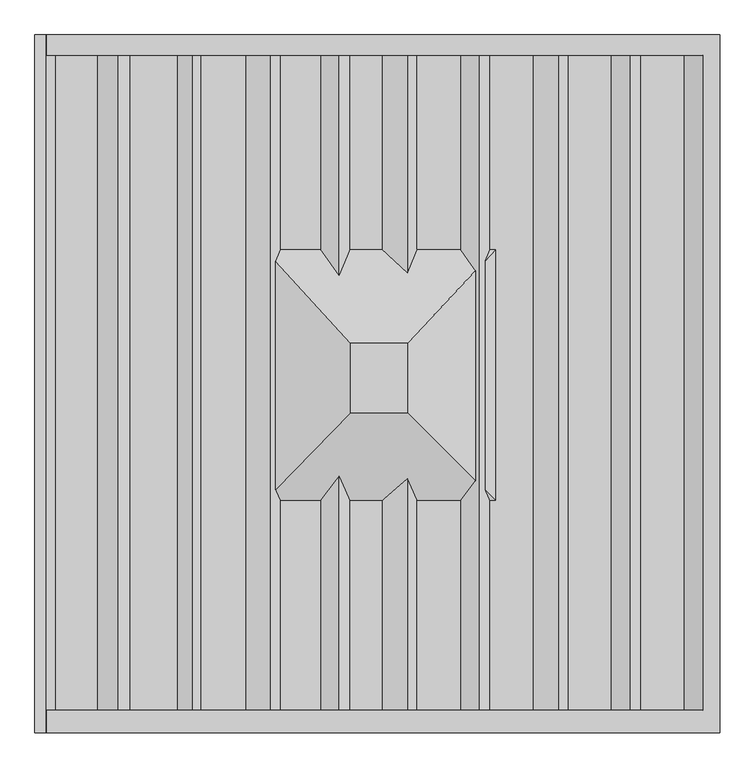
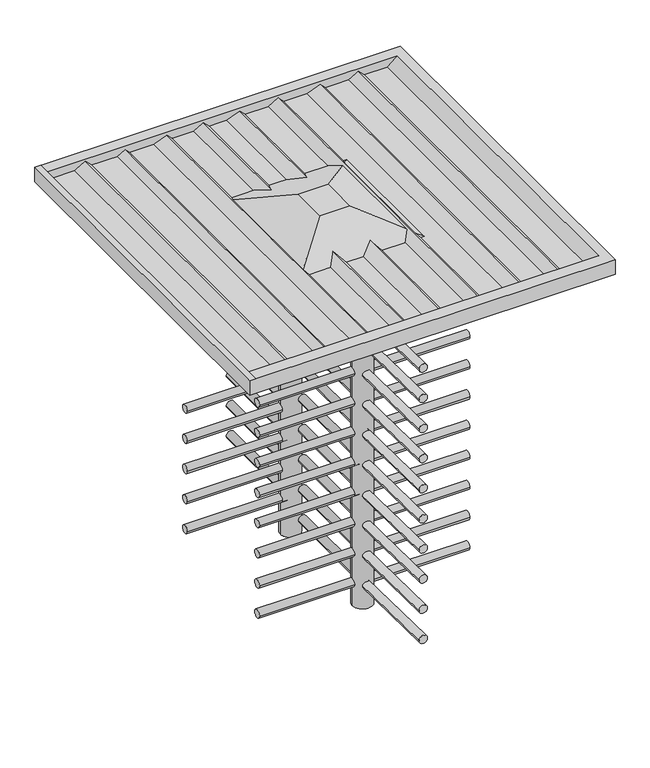
"""IFC4 building model written with IfcOpenShell, lengths in millimetres: proxy geometry."""

from ifc_helpers import new_model, si_unit, point, frame, frame_2d, origin, origin_with_axes, place, context, project, spatial, circle_curve, ellipse_curve, trimmed, segment, composite_curve, outline, extrude, source, transform, mapped, element, save
from ifc_brep_helpers import plane_surface, cylinder_surface, advanced_brep


def generic_models_c3fac02c(model_context):
    return source(origin(), model_context, "Body", "SolidModel", [
        advanced_brep(
        [(67.5853106, 128.5618074, 2043.2171828), (67.5853106, -91.4381926, 2043.2171828), (-112.4146894, -91.4381926, 2043.2171828), (-112.4146894, 128.5618074, 2043.2171828), (-208.5896514, 1044.2649567, 2170.6315169), (-335.9848796, 1044.2649567, 2170.6315169), (-335.9848796, 428.2976288, 2170.6315169), (-208.5896514, 428.2976288, 2170.6315169), (-12.3517372, 1044.2649567, 2170.6315169), (-114.7469654, 1044.2649567, 2170.6315169), (-114.7469654, 428.2976288, 2170.6315169), (-12.3517372, 428.2976288, 2170.6315169), (235.9857047, 1044.2649567, 2170.6315169), (98.5904765, 1044.2649567, 2170.6315169), (98.5904765, 428.2976288, 2170.6315169), (235.9857047, 428.2976288, 2170.6315169), (467.223619, 1044.2649567, 2170.6315169), (329.8283908, 1044.2649567, 2170.6315169), (329.8283908, 428.2976288, 2170.6315169), (349.8283908, 428.2976288, 2170.6315169), (349.8283908, -371.7023712, 2170.6315169), (329.8283908, -371.7023712, 2170.6315169), (329.8283908, -1037.2735048, 2170.6315169), (467.223619, -1037.2735048, 2170.6315169), (98.5904765, -1037.2735048, 2170.6315169), (235.9857047, -1037.2735048, 2170.6315169), (235.9857047, -371.7023712, 2170.6315169), (98.5904765, -371.7023712, 2170.6315169), (-114.7469654, -1037.2735048, 2170.6315169), (-12.3517372, -1037.2735048, 2170.6315169), (-12.3517372, -371.7023712, 2170.6315169), (-114.7469654, -371.7023712, 2170.6315169), (-335.9848796, -1037.2735048, 2170.6315169), (-208.5896514, -1037.2735048, 2170.6315169), (-208.5896514, -371.7023712, 2170.6315169), (-335.9848796, -371.7023712, 2170.6315169), (-301.9360605, 335.4972429, 2131.1831142), (-76.8147463, 335.4972429, 2131.1831142), (28.0022531, 335.4972429, 2131.1831142), (262.4438845, 335.4972429, 2131.1831142), (-301.9360605, -284.9305473, 2131.1831142), (262.4438845, -284.9305473, 2131.1831142), (-84.4062466, 364.7093835, 0.0), (35.5937534, 364.7093835, 0.0), (35.5937534, 364.7093835, 2131.1831142), (-84.4062466, 364.7093835, 2131.1831142), (1062.094944, 1109.3360015, 2131.1831142), (-1116.8885804, 1109.3360015, 2131.1831142), (-1116.8885804, 1109.3360015, 2222.1547275), (-1080.885812, 1109.3360015, 2222.1547275), (-1080.4204707, 1109.3360015, 2221.3487327), (1062.094944, 1109.3360015, 2221.3487327), (-1080.885812, -1109.3360015, 2222.1547275), (-1116.8885804, -1109.3360015, 2222.1547275), (-1116.8885804, -1109.3360015, 2131.1831142), (1062.094944, -1109.3360015, 2131.1831142), (1062.094944, -1109.3360015, 2221.3487327), (-1080.4204707, -1109.3360015, 2221.3487327), (-1080.4204707, -1037.2735048, 2221.3487327), (-1051.1388725, -1037.2735048, 2170.6315169), (-1051.1388725, 1044.2649567, 2170.6315169), (-1080.4204707, 1044.2649567, 2221.3487327), (-919.3098876, 1044.2649567, 2170.6315169), (-919.3098876, -1037.2735048, 2170.6315169), (-853.6027929, 1044.2649567, 2208.5675257), (-853.6027929, -1037.2735048, 2208.5675257), (-815.6667841, 1044.2649567, 2170.6315169), (-815.6667841, -1037.2735048, 2170.6315169), (-664.6113018, 1044.2649567, 2170.6315169), (-664.6113018, -1037.2735048, 2170.6315169), (-616.9475499, 1044.2649567, 2198.1501969), (-616.9475499, -1037.2735048, 2198.1501969), (-589.4288698, 1044.2649567, 2170.6315169), (-589.4288698, -1037.2735048, 2170.6315169), (547.3920538, 1044.2649567, 2201.4052958), (547.3920538, -1037.2735048, 2201.4052958), (578.1658327, 1044.2649567, 2170.6315169), (578.1658327, -1037.2735048, 2170.6315169), (715.5610609, 1044.2649567, 2170.6315169), (715.5610609, -1037.2735048, 2170.6315169), (775.0549399, 1044.2649567, 2204.980324), (775.0549399, -1037.2735048, 2204.980324), (809.4037469, 1044.2649567, 2170.6315169), (809.4037469, -1037.2735048, 2170.6315169), (946.7989751, 1044.2649567, 2170.6315169), (946.7989751, -1037.2735048, 2170.6315169), (1007.2413993, 1044.2649567, 2221.3487327), (1007.2413993, -1037.2735048, 2221.3487327), (-446.9270933, 1044.2649567, 2170.6315169), (-446.9270933, -1037.2735048, 2170.6315169), (-366.7586585, 1044.2649567, 2201.4052958), (-366.7586585, -1037.2735048, 2201.4052958), (-351.7577196, -335.7961043, 2186.4043569), (-351.7577196, 389.896737, 2186.4043569), (-149.0957724, 1044.2649567, 2204.980324), (-149.0957724, 344.6712924, 2204.980324), (-149.0957724, -1037.2735048, 2204.980324), (-149.0957724, -293.5086259, 2204.980324), (67.8166977, 1044.2649567, 2201.4052958), (67.8166977, 353.375132, 2201.4052958), (67.8166977, -1037.2735048, 2201.4052958), (67.8166977, -301.6470408, 2201.4052958), (295.4795837, 1044.2649567, 2204.980324), (284.9798874, 359.4299726, 2198.9183215), (284.9798874, -307.3085426, 2198.9183215), (295.4795837, -1037.2735048, 2204.980324), (314.3549278, -336.4776247, 2186.1049799), (314.3549278, 390.6256067, 2186.1049799), (67.5853106, 128.5618074, 2293.7454585), (-112.4146894, 128.5618074, 2293.7454585), (-112.4146894, -91.4381926, 2293.7454585), (67.5853106, -91.4381926, 2293.7454585)],
        [
            (0, 1),
            (1, 2),
            (2, 3),
            (3, 0),
            (4, 5),
            (5, 6),
            (6, 7),
            (7, 4),
            (8, 9),
            (9, 10),
            (10, 11),
            (11, 8),
            (12, 13),
            (13, 14),
            (14, 15),
            (15, 12),
            (16, 17),
            (17, 18),
            (18, 19),
            (19, 20),
            (20, 21),
            (21, 22),
            (22, 23),
            (23, 16),
            (24, 25),
            (25, 26),
            (26, 27),
            (27, 24),
            (28, 29),
            (29, 30),
            (30, 31),
            (31, 28),
            (32, 33),
            (33, 34),
            (34, 35),
            (35, 32),
            (3, 36),
            (36, 37),
            (37, 38, ellipse_curve(frame((-24.4062466, 364.7093835, 2143.6008674), z_axis=(0.0, -0.39120984216731847, 0.9203015046121689), x_axis=(0.0, 0.9203015046121689, 0.39120984216731813)), 65.1960251, 60.0)),
            (38, 39),
            (39, 0),
            (2, 40),
            (40, 36),
            (1, 41),
            (41, 40),
            (39, 41),
            (42, 43, circle_curve(frame((-24.4062466, 364.7093835, 0.0), z_axis=(0.0, 0.0, -1.0), x_axis=(1.0, 0.0, 0.0)), 60.0)),
            (43, 42, circle_curve(frame((-24.4062466, 364.7093835, 0.0), z_axis=(0.0, 0.0, -1.0), x_axis=(1.0, 0.0, 0.0)), 60.0)),
            (43, 44),
            (44, 38, circle_curve(frame((-24.4062466, 364.7093835, 2131.1831142), z_axis=(0.0, 0.0, -1.0), x_axis=(1.0, 0.0, 0.0)), 60.0)),
            (37, 45, circle_curve(frame((-24.4062466, 364.7093835, 2131.1831142), z_axis=(0.0, 0.0, -1.0), x_axis=(1.0, 0.0, 0.0)), 60.0)),
            (45, 42),
            (45, 44, circle_curve(frame((-24.4062466, 364.7093835, 2131.1831142), z_axis=(0.0, 0.0, -1.0), x_axis=(1.0, 0.0, 0.0)), 60.0)),
            (46, 47),
            (47, 48),
            (48, 49),
            (49, 50),
            (50, 51),
            (51, 46),
            (52, 53),
            (53, 54),
            (54, 55),
            (55, 56),
            (56, 57),
            (57, 52),
            (49, 52),
            (57, 58),
            (58, 59),
            (59, 60),
            (60, 61),
            (61, 50),
            (62, 60),
            (59, 63),
            (63, 62),
            (64, 62),
            (63, 65),
            (65, 64),
            (66, 64),
            (65, 67),
            (67, 66),
            (68, 66),
            (67, 69),
            (69, 68),
            (70, 68),
            (69, 71),
            (71, 70),
            (72, 70),
            (71, 73),
            (73, 72),
            (74, 16),
            (23, 75),
            (75, 74),
            (76, 74),
            (75, 77),
            (77, 76),
            (78, 76),
            (77, 79),
            (79, 78),
            (80, 78),
            (79, 81),
            (81, 80),
            (82, 80),
            (81, 83),
            (83, 82),
            (84, 82),
            (83, 85),
            (85, 84),
            (86, 84),
            (85, 87),
            (87, 86),
            (61, 86),
            (87, 58),
            (56, 51),
            (55, 46),
            (54, 47),
            (53, 48),
            (88, 72),
            (73, 89),
            (89, 88),
            (90, 88),
            (89, 91),
            (91, 90),
            (5, 90),
            (91, 32),
            (35, 92),
            (92, 93),
            (93, 6),
            (94, 4),
            (7, 95),
            (95, 94),
            (33, 96),
            (96, 97),
            (97, 34),
            (9, 94),
            (95, 10),
            (96, 28),
            (31, 97),
            (98, 8),
            (11, 99),
            (99, 98),
            (29, 100),
            (100, 101),
            (101, 30),
            (13, 98),
            (99, 14),
            (100, 24),
            (27, 101),
            (102, 12),
            (15, 103),
            (103, 104),
            (104, 26),
            (25, 105),
            (105, 102),
            (17, 102),
            (105, 22),
            (21, 106),
            (106, 107),
            (107, 18),
            (108, 109),
            (109, 110),
            (110, 111),
            (111, 108),
            (108, 103),
            (93, 109),
            (107, 19),
            (92, 110),
            (104, 111),
            (20, 106),
        ],
        [
            plane_surface(frame((-22.4146894, 18.5618074, 2043.2171828), z_axis=(0.0, 0.0, -1.0), x_axis=(-1.0, 0.0, 0.0))),
            plane_surface(frame((-18.5493513, 28.2976288, 2170.6315169), z_axis=(0.0, 0.0, 1.0), x_axis=(-1.0, 0.0, 0.0))),
            plane_surface(frame((-18.5493513, 428.2976288, 2170.6315169), z_axis=(0.0, 0.39120984216731847, -0.9203015046121689), x_axis=(1.0, 0.0, 0.0))),
            plane_surface(frame((-386.9270933, 28.2976288, 2170.6315169), z_axis=(-0.42100840718240856, 0.0, -0.9070567353157858), x_axis=(0.0, 1.0, 0.0))),
            plane_surface(frame((-18.5493513, -371.7023712, 2170.6315169), z_axis=(0.0, -0.4138608896975046, -0.910340136420882), x_axis=(-1.0, 0.0, 0.0))),
            plane_surface(frame((349.8283908, 28.2976288, 2170.6315169), z_axis=(0.4114518497039628, 0.0, -0.911431497906007), x_axis=(0.0, -1.0, 0.0))),
            plane_surface(frame((35.5937534, 364.7093835, 0.0), z_axis=(0.0, 0.0, -1.0), x_axis=(0.0, -1.0, 0.0))),
            cylinder_surface(frame((-24.4062466, 364.7093835, 0.0), z_axis=(0.0, 0.0, 1.0), x_axis=(1.0, 0.0, 0.0)), 60.0),
            plane_surface(frame((-1072.9183315, 1109.3360015, 2208.3546464), z_axis=(0.0, 1.0, 0.0), x_axis=(0.5000000000000063, 0.0, -0.866025403784435))),
            plane_surface(frame((-1072.9183315, -1109.3360015, 2208.3546464), z_axis=(0.0, -1.0, 0.0), x_axis=(-0.5000000000000063, 0.0, 0.866025403784435))),
            plane_surface(frame((-1080.885812, 1109.3360015, 2222.1547275), z_axis=(0.866025403784435, 0.0, 0.5000000000000063), x_axis=(0.0, -1.0, 0.0))),
            plane_surface(frame((-1051.1388725, 1109.3360015, 2170.6315169), z_axis=(0.0, 0.0, 1.0), x_axis=(0.0, -1.0, 0.0))),
            plane_surface(frame((-919.3098876, 1109.3360015, 2170.6315169), z_axis=(-0.5000000000000032, 0.0, 0.8660254037844368), x_axis=(0.0, -1.0, 0.0))),
            plane_surface(frame((-853.6027929, 1109.3360015, 2208.5675257), z_axis=(0.707106781186545, 0.0, 0.70710678118655), x_axis=(0.0, -1.0, 0.0))),
            plane_surface(frame((-815.6667841, 1109.3360015, 2170.6315169), z_axis=(0.0, 0.0, 1.0), x_axis=(0.0, -1.0, 0.0))),
            plane_surface(frame((-664.6113018, 1109.3360015, 2170.6315169), z_axis=(-0.5000000000000104, 0.0, 0.8660254037844327), x_axis=(0.0, -1.0, 0.0))),
            plane_surface(frame((-616.9475499, 1109.3360015, 2198.1501969), z_axis=(0.7071067811865476, 0.0, 0.7071067811865476), x_axis=(0.0, -1.0, 0.0))),
            plane_surface(frame((467.223619, 1109.3360015, 2170.6315169), z_axis=(-0.3583679495453041, 0.0, 0.9335804264972003), x_axis=(0.0, -1.0, 0.0))),
            plane_surface(frame((547.3920538, 1109.3360015, 2201.4052958), z_axis=(0.707106781186546, 0.0, 0.7071067811865491), x_axis=(0.0, -1.0, 0.0))),
            plane_surface(frame((578.1658327, 1109.3360015, 2170.6315169), z_axis=(0.0, 0.0, 1.0), x_axis=(0.0, -1.0, 0.0))),
            plane_surface(frame((715.5610609, 1109.3360015, 2170.6315169), z_axis=(-0.5000000000000061, 0.0, 0.8660254037844352), x_axis=(0.0, -1.0, 0.0))),
            plane_surface(frame((775.0549399, 1109.3360015, 2204.980324), z_axis=(0.7071067811865476, 0.0, 0.7071067811865476), x_axis=(0.0, -1.0, 0.0))),
            plane_surface(frame((809.4037469, 1109.3360015, 2170.6315169), z_axis=(0.0, 0.0, 1.0), x_axis=(0.0, -1.0, 0.0))),
            plane_surface(frame((946.7989751, 1109.3360015, 2170.6315169), z_axis=(-0.6427876096865398, 0.0, 0.7660444431189778), x_axis=(0.0, -1.0, 0.0))),
            plane_surface(frame((1007.2413993, 1109.3360015, 2221.3487327), z_axis=(0.0, 0.0, 1.0), x_axis=(0.0, -1.0, 0.0))),
            plane_surface(frame((1062.094944, 1109.3360015, 2221.3487327), z_axis=(1.0, 0.0, 0.0), x_axis=(0.0, -1.0, 0.0))),
            plane_surface(frame((1062.094944, 1109.3360015, 2131.1831142), z_axis=(0.0, 0.0, -1.0), x_axis=(0.0, -1.0, 0.0))),
            plane_surface(frame((-1116.8885804, 1109.3360015, 2131.1831142), z_axis=(-1.0, 0.0, 0.0), x_axis=(0.0, -1.0, 0.0))),
            plane_surface(frame((-1116.8885804, 1109.3360015, 2222.1547275), z_axis=(0.0, 0.0, 1.0), x_axis=(0.0, -1.0, 0.0))),
            plane_surface(frame((-589.4288698, 1109.3360015, 2170.6315169), z_axis=(0.0, 0.0, 1.0), x_axis=(0.0, -1.0, 0.0))),
            plane_surface(frame((-446.9270933, 1109.3360015, 2170.6315169), z_axis=(-0.35836794954530354, 0.0, 0.9335804264972006), x_axis=(0.0, -1.0, 0.0))),
            plane_surface(frame((-366.7586585, 1109.3360015, 2201.4052958), z_axis=(0.7071067811865452, 0.0, 0.7071067811865499), x_axis=(0.0, -1.0, 0.0))),
            plane_surface(frame((-208.5896514, 1109.3360015, 2170.6315169), z_axis=(-0.5000000000000061, 0.0, 0.8660254037844352), x_axis=(0.0, -1.0, 0.0))),
            plane_surface(frame((-149.0957724, 1109.3360015, 2204.980324), z_axis=(0.7071067811865477, 0.0, 0.7071067811865474), x_axis=(0.0, -1.0, 0.0))),
            plane_surface(frame((-12.3517372, 1109.3360015, 2170.6315169), z_axis=(-0.35836794954530443, 0.0, 0.9335804264972002), x_axis=(0.0, -1.0, 0.0))),
            plane_surface(frame((67.8166977, 1109.3360015, 2201.4052958), z_axis=(0.7071067811865456, 0.0, 0.7071067811865495), x_axis=(0.0, -1.0, 0.0))),
            plane_surface(frame((235.9857047, 1109.3360015, 2170.6315169), z_axis=(-0.5000000000000059, 0.0, 0.8660254037844353), x_axis=(0.0, -1.0, 0.0))),
            plane_surface(frame((295.4795837, 1109.3360015, 2204.980324), z_axis=(0.7071067811865476, 0.0, 0.7071067811865476), x_axis=(0.0, -1.0, 0.0))),
            plane_surface(frame((-1116.8885804, 1044.2649567, 2221.3487327), z_axis=(0.0, -1.0, 0.0), x_axis=(0.0, 0.0, -1.0))),
            plane_surface(frame((1062.094944, -1037.2735048, 2221.3487327), z_axis=(0.0, 1.0, 0.0), x_axis=(0.0, 0.0, -1.0))),
            plane_surface(frame((-22.4146894, 18.5618074, 2293.7454585), z_axis=(0.0, 0.0, 1.0), x_axis=(-1.0, 0.0, 0.0))),
            plane_surface(frame((-18.5493513, 428.2976288, 2170.6315169), z_axis=(0.0, 0.37994039566450644, 0.9250109706064563), x_axis=(-1.0, 0.0, 0.0))),
            plane_surface(frame((-386.9270933, 28.2976288, 2170.6315169), z_axis=(-0.4092127068589751, 0.0, 0.9124390174390564), x_axis=(0.0, -1.0, 0.0))),
            plane_surface(frame((-18.5493513, -371.7023712, 2170.6315169), z_axis=(0.0, -0.4021848729510521, 0.9155584787272445), x_axis=(1.0, 0.0, 0.0))),
            plane_surface(frame((349.8283908, 28.2976288, 2170.6315169), z_axis=(0.3998171186197385, 0.0, 0.9165949332494753), x_axis=(0.0, 1.0, 0.0))),
        ],
        [
            (0, [[1, 2, 3, 4]]),
            (1, [[5, 6, 7, 8]]),
            (1, [[9, 10, 11, 12]]),
            (1, [[13, 14, 15, 16]]),
            (1, [[17, 18, 19, 20, 21, 22, 23, 24]]),
            (1, [[25, 26, 27, 28]]),
            (1, [[29, 30, 31, 32]]),
            (1, [[33, 34, 35, 36]]),
            (2, [[-4, 37, 38, 39, 40, 41]]),
            (3, [[-3, 42, 43, -37]]),
            (4, [[-2, 44, 45, -42]]),
            (5, [[-1, -41, 46, -44]]),
            (6, [[47, 48]]),
            (7, [[-48, 49, 50, -39, 51, 52]]),
            (7, [[-47, -52, 53, -49]]),
            (8, [[54, 55, 56, 57, 58, 59]]),
            (9, [[60, 61, 62, 63, 64, 65]]),
            (10, [[66, -65, 67, 68, 69, 70, 71, -57]]),
            (11, [[72, -69, 73, 74]]),
            (12, [[75, -74, 76, 77]]),
            (13, [[78, -77, 79, 80]]),
            (14, [[81, -80, 82, 83]]),
            (15, [[84, -83, 85, 86]]),
            (16, [[87, -86, 88, 89]]),
            (17, [[90, -24, 91, 92]]),
            (18, [[93, -92, 94, 95]]),
            (19, [[96, -95, 97, 98]]),
            (20, [[99, -98, 100, 101]]),
            (21, [[102, -101, 103, 104]]),
            (22, [[105, -104, 106, 107]]),
            (23, [[108, -107, 109, 110]]),
            (24, [[111, -110, 112, -67, -64, 113, -58, -71]]),
            (25, [[114, -59, -113, -63]]),
            (26, [[-54, -114, -62, 115], [-38, -43, -45, -46, -40, -50, -53, -51]]),
            (27, [[-115, -61, 116, -55]]),
            (28, [[-56, -116, -60, -66]]),
            (29, [[117, -89, 118, 119]]),
            (30, [[120, -119, 121, 122]]),
            (31, [[123, -122, 124, -36, 125, 126, 127, -6]]),
            (32, [[128, -8, 129, 130]]),
            (32, [[131, 132, 133, -34]]),
            (33, [[134, -130, 135, -10]]),
            (33, [[136, -32, 137, -132]]),
            (34, [[138, -12, 139, 140]]),
            (34, [[141, 142, 143, -30]]),
            (35, [[144, -140, 145, -14]]),
            (35, [[146, -28, 147, -142]]),
            (36, [[148, -16, 149, 150, 151, -26, 152, 153]]),
            (37, [[154, -153, 155, -22, 156, 157, 158, -18]]),
            (38, [[-111, -70, -72, -75, -78, -81, -84, -87, -117, -120, -123, -5, -128, -134, -9, -138, -144, -13, -148, -154, -17, -90, -93, -96, -99, -102, -105, -108]]),
            (39, [[-112, -109, -106, -103, -100, -97, -94, -91, -23, -155, -152, -25, -146, -141, -29, -136, -131, -33, -124, -121, -118, -88, -85, -82, -79, -76, -73, -68]]),
            (40, [[159, 160, 161, 162]]),
            (41, [[-159, 163, -149, -15, -145, -139, -11, -135, -129, -7, -127, 164]]),
            (41, [[165, -19, -158]]),
            (42, [[-160, -164, -126, 166]]),
            (43, [[-161, -166, -125, -35, -133, -137, -31, -143, -147, -27, -151, 167]]),
            (43, [[168, -156, -21]]),
            (44, [[-162, -167, -150, -163]]),
            (44, [[-165, -157, -168, -20]]),
        ],
    ),
        extrude(outline(composite_curve([segment(trimmed(circle_curve(frame_2d((144.4880461, -19.6968631)), 25.0), [point((144.4880461, -44.6968631))], [point((144.4880461, 5.3031369))], False, "CARTESIAN"), True, "CONTINUOUS"), segment(trimmed(circle_curve(frame_2d((144.4880461, -19.6968631)), 25.0), [point((144.4880461, 5.3031369))], [point((144.4880461, -44.6968631))], False, "CARTESIAN"), True, "CONTINUOUS")], self_intersect=False)), frame((0.0, -355.8843699, 0.0), z_axis=(0.0, 1.0, 0.0), x_axis=(0.0, 0.0, 1.0)), (0.0, 0.0, 1.0), 600.0),
        extrude(outline(composite_curve([segment(trimmed(circle_curve(frame_2d((334.4880461, -19.6968631)), 25.0), [point((334.4880461, -44.6968631))], [point((334.4880461, 5.3031369))], False, "CARTESIAN"), True, "CONTINUOUS"), segment(trimmed(circle_curve(frame_2d((334.4880461, -19.6968631)), 25.0), [point((334.4880461, 5.3031369))], [point((334.4880461, -44.6968631))], False, "CARTESIAN"), True, "CONTINUOUS")], self_intersect=False)), frame((0.0, -355.8843699, 0.0), z_axis=(0.0, 1.0, 0.0), x_axis=(0.0, 0.0, 1.0)), (0.0, 0.0, 1.0), 600.0),
        extrude(outline(composite_curve([segment(trimmed(circle_curve(frame_2d((1854.4880461, -19.6968631)), 25.0), [point((1854.4880461, -44.6968631))], [point((1854.4880461, 5.3031369))], False, "CARTESIAN"), True, "CONTINUOUS"), segment(trimmed(circle_curve(frame_2d((1854.4880461, -19.6968631)), 25.0), [point((1854.4880461, 5.3031369))], [point((1854.4880461, -44.6968631))], False, "CARTESIAN"), True, "CONTINUOUS")], self_intersect=False)), frame((0.0, -355.8843699, 0.0), z_axis=(0.0, 1.0, 0.0), x_axis=(0.0, 0.0, 1.0)), (0.0, 0.0, 1.0), 600.0),
        extrude(outline(composite_curve([segment(trimmed(circle_curve(frame_2d((524.4880461, -19.6968631)), 25.0), [point((524.4880461, -44.6968631))], [point((524.4880461, 5.3031369))], False, "CARTESIAN"), True, "CONTINUOUS"), segment(trimmed(circle_curve(frame_2d((524.4880461, -19.6968631)), 25.0), [point((524.4880461, 5.3031369))], [point((524.4880461, -44.6968631))], False, "CARTESIAN"), True, "CONTINUOUS")], self_intersect=False)), frame((0.0, -355.8843699, 0.0), z_axis=(0.0, 1.0, 0.0), x_axis=(0.0, 0.0, 1.0)), (0.0, 0.0, 1.0), 600.0),
        extrude(outline(composite_curve([segment(trimmed(circle_curve(frame_2d((714.4880461, -19.6968631)), 25.0), [point((714.4880461, -44.6968631))], [point((714.4880461, 5.3031369))], False, "CARTESIAN"), True, "CONTINUOUS"), segment(trimmed(circle_curve(frame_2d((714.4880461, -19.6968631)), 25.0), [point((714.4880461, 5.3031369))], [point((714.4880461, -44.6968631))], False, "CARTESIAN"), True, "CONTINUOUS")], self_intersect=False)), frame((0.0, -355.8843699, 0.0), z_axis=(0.0, 1.0, 0.0), x_axis=(0.0, 0.0, 1.0)), (0.0, 0.0, 1.0), 600.0),
        extrude(outline(composite_curve([segment(trimmed(circle_curve(frame_2d((904.4880461, -19.6968631)), 25.0), [point((904.4880461, -44.6968631))], [point((904.4880461, 5.3031369))], False, "CARTESIAN"), True, "CONTINUOUS"), segment(trimmed(circle_curve(frame_2d((904.4880461, -19.6968631)), 25.0), [point((904.4880461, 5.3031369))], [point((904.4880461, -44.6968631))], False, "CARTESIAN"), True, "CONTINUOUS")], self_intersect=False)), frame((0.0, -355.8843699, 0.0), z_axis=(0.0, 1.0, 0.0), x_axis=(0.0, 0.0, 1.0)), (0.0, 0.0, 1.0), 600.0),
        extrude(outline(composite_curve([segment(trimmed(circle_curve(frame_2d((1094.4880461, -19.6968631)), 25.0), [point((1094.4880461, -44.6968631))], [point((1094.4880461, 5.3031369))], False, "CARTESIAN"), True, "CONTINUOUS"), segment(trimmed(circle_curve(frame_2d((1094.4880461, -19.6968631)), 25.0), [point((1094.4880461, 5.3031369))], [point((1094.4880461, -44.6968631))], False, "CARTESIAN"), True, "CONTINUOUS")], self_intersect=False)), frame((0.0, -355.8843699, 0.0), z_axis=(0.0, 1.0, 0.0), x_axis=(0.0, 0.0, 1.0)), (0.0, 0.0, 1.0), 600.0),
        extrude(outline(composite_curve([segment(trimmed(circle_curve(frame_2d((1284.4880461, -19.6968631)), 25.0), [point((1284.4880461, -44.6968631))], [point((1284.4880461, 5.3031369))], False, "CARTESIAN"), True, "CONTINUOUS"), segment(trimmed(circle_curve(frame_2d((1284.4880461, -19.6968631)), 25.0), [point((1284.4880461, 5.3031369))], [point((1284.4880461, -44.6968631))], False, "CARTESIAN"), True, "CONTINUOUS")], self_intersect=False)), frame((0.0, -355.8843699, 0.0), z_axis=(0.0, 1.0, 0.0), x_axis=(0.0, 0.0, 1.0)), (0.0, 0.0, 1.0), 600.0),
        extrude(outline(composite_curve([segment(trimmed(circle_curve(frame_2d((1474.4880461, -19.6968631)), 25.0), [point((1474.4880461, -44.6968631))], [point((1474.4880461, 5.3031369))], False, "CARTESIAN"), True, "CONTINUOUS"), segment(trimmed(circle_curve(frame_2d((1474.4880461, -19.6968631)), 25.0), [point((1474.4880461, 5.3031369))], [point((1474.4880461, -44.6968631))], False, "CARTESIAN"), True, "CONTINUOUS")], self_intersect=False)), frame((0.0, -355.8843699, 0.0), z_axis=(0.0, 1.0, 0.0), x_axis=(0.0, 0.0, 1.0)), (0.0, 0.0, 1.0), 600.0),
        extrude(outline(composite_curve([segment(trimmed(circle_curve(frame_2d((1664.4880461, -19.6968631)), 25.0), [point((1664.4880461, -44.6968631))], [point((1664.4880461, 5.3031369))], False, "CARTESIAN"), True, "CONTINUOUS"), segment(trimmed(circle_curve(frame_2d((1664.4880461, -19.6968631)), 25.0), [point((1664.4880461, 5.3031369))], [point((1664.4880461, -44.6968631))], False, "CARTESIAN"), True, "CONTINUOUS")], self_intersect=False)), frame((0.0, -355.8843699, 0.0), z_axis=(0.0, 1.0, 0.0), x_axis=(0.0, 0.0, 1.0)), (0.0, 0.0, 1.0), 600.0),
        extrude(outline(composite_curve([segment(trimmed(circle_curve(frame_2d((-375.581233, 144.4880461)), 25.0), [point((-400.581233, 144.4880461))], [point((-350.581233, 144.4880461))], False, "CARTESIAN"), True, "CONTINUOUS"), segment(trimmed(circle_curve(frame_2d((-375.581233, 144.4880461)), 25.0), [point((-350.581233, 144.4880461))], [point((-400.581233, 144.4880461))], False, "CARTESIAN"), True, "CONTINUOUS")], self_intersect=False)), frame((-648.8124932, 0.0, 0.0), z_axis=(1.0, 0.0, 0.0), x_axis=(0.0, 1.0, 0.0)), (0.0, 0.0, 1.0), 600.0),
        extrude(outline(composite_curve([segment(trimmed(circle_curve(frame_2d((-375.581233, 334.4880461)), 25.0), [point((-400.581233, 334.4880461))], [point((-350.581233, 334.4880461))], False, "CARTESIAN"), True, "CONTINUOUS"), segment(trimmed(circle_curve(frame_2d((-375.581233, 334.4880461)), 25.0), [point((-350.581233, 334.4880461))], [point((-400.581233, 334.4880461))], False, "CARTESIAN"), True, "CONTINUOUS")], self_intersect=False)), frame((-648.8124932, 0.0, 0.0), z_axis=(1.0, 0.0, 0.0), x_axis=(0.0, 1.0, 0.0)), (0.0, 0.0, 1.0), 600.0),
        extrude(outline(composite_curve([segment(trimmed(circle_curve(frame_2d((-375.581233, 1854.4880461)), 25.0), [point((-400.581233, 1854.4880461))], [point((-350.581233, 1854.4880461))], False, "CARTESIAN"), True, "CONTINUOUS"), segment(trimmed(circle_curve(frame_2d((-375.581233, 1854.4880461)), 25.0), [point((-350.581233, 1854.4880461))], [point((-400.581233, 1854.4880461))], False, "CARTESIAN"), True, "CONTINUOUS")], self_intersect=False)), frame((-648.8124932, 0.0, 0.0), z_axis=(1.0, 0.0, 0.0), x_axis=(0.0, 1.0, 0.0)), (0.0, 0.0, 1.0), 600.0),
        extrude(outline(composite_curve([segment(trimmed(circle_curve(frame_2d((-375.581233, 524.4880461)), 25.0), [point((-400.581233, 524.4880461))], [point((-350.581233, 524.4880461))], False, "CARTESIAN"), True, "CONTINUOUS"), segment(trimmed(circle_curve(frame_2d((-375.581233, 524.4880461)), 25.0), [point((-350.581233, 524.4880461))], [point((-400.581233, 524.4880461))], False, "CARTESIAN"), True, "CONTINUOUS")], self_intersect=False)), frame((-648.8124932, 0.0, 0.0), z_axis=(1.0, 0.0, 0.0), x_axis=(0.0, 1.0, 0.0)), (0.0, 0.0, 1.0), 600.0),
        extrude(outline(composite_curve([segment(trimmed(circle_curve(frame_2d((-375.581233, 714.4880461)), 25.0), [point((-400.581233, 714.4880461))], [point((-350.581233, 714.4880461))], False, "CARTESIAN"), True, "CONTINUOUS"), segment(trimmed(circle_curve(frame_2d((-375.581233, 714.4880461)), 25.0), [point((-350.581233, 714.4880461))], [point((-400.581233, 714.4880461))], False, "CARTESIAN"), True, "CONTINUOUS")], self_intersect=False)), frame((-648.8124932, 0.0, 0.0), z_axis=(1.0, 0.0, 0.0), x_axis=(0.0, 1.0, 0.0)), (0.0, 0.0, 1.0), 600.0),
        extrude(outline(composite_curve([segment(trimmed(circle_curve(frame_2d((-375.581233, 904.4880461)), 25.0), [point((-400.581233, 904.4880461))], [point((-350.581233, 904.4880461))], False, "CARTESIAN"), True, "CONTINUOUS"), segment(trimmed(circle_curve(frame_2d((-375.581233, 904.4880461)), 25.0), [point((-350.581233, 904.4880461))], [point((-400.581233, 904.4880461))], False, "CARTESIAN"), True, "CONTINUOUS")], self_intersect=False)), frame((-648.8124932, 0.0, 0.0), z_axis=(1.0, 0.0, 0.0), x_axis=(0.0, 1.0, 0.0)), (0.0, 0.0, 1.0), 600.0),
        extrude(outline(composite_curve([segment(trimmed(circle_curve(frame_2d((-375.581233, 1094.4880461)), 25.0), [point((-400.581233, 1094.4880461))], [point((-350.581233, 1094.4880461))], False, "CARTESIAN"), True, "CONTINUOUS"), segment(trimmed(circle_curve(frame_2d((-375.581233, 1094.4880461)), 25.0), [point((-350.581233, 1094.4880461))], [point((-400.581233, 1094.4880461))], False, "CARTESIAN"), True, "CONTINUOUS")], self_intersect=False)), frame((-648.8124932, 0.0, 0.0), z_axis=(1.0, 0.0, 0.0), x_axis=(0.0, 1.0, 0.0)), (0.0, 0.0, 1.0), 600.0),
        extrude(outline(composite_curve([segment(trimmed(circle_curve(frame_2d((-375.581233, 1284.4880461)), 25.0), [point((-400.581233, 1284.4880461))], [point((-350.581233, 1284.4880461))], False, "CARTESIAN"), True, "CONTINUOUS"), segment(trimmed(circle_curve(frame_2d((-375.581233, 1284.4880461)), 25.0), [point((-350.581233, 1284.4880461))], [point((-400.581233, 1284.4880461))], False, "CARTESIAN"), True, "CONTINUOUS")], self_intersect=False)), frame((-648.8124932, 0.0, 0.0), z_axis=(1.0, 0.0, 0.0), x_axis=(0.0, 1.0, 0.0)), (0.0, 0.0, 1.0), 600.0),
        extrude(outline(composite_curve([segment(trimmed(circle_curve(frame_2d((-375.581233, 1474.4880461)), 25.0), [point((-400.581233, 1474.4880461))], [point((-350.581233, 1474.4880461))], False, "CARTESIAN"), True, "CONTINUOUS"), segment(trimmed(circle_curve(frame_2d((-375.581233, 1474.4880461)), 25.0), [point((-350.581233, 1474.4880461))], [point((-400.581233, 1474.4880461))], False, "CARTESIAN"), True, "CONTINUOUS")], self_intersect=False)), frame((-648.8124932, 0.0, 0.0), z_axis=(1.0, 0.0, 0.0), x_axis=(0.0, 1.0, 0.0)), (0.0, 0.0, 1.0), 600.0),
        extrude(outline(composite_curve([segment(trimmed(circle_curve(frame_2d((-375.581233, 1664.4880461)), 25.0), [point((-400.581233, 1664.4880461))], [point((-350.581233, 1664.4880461))], False, "CARTESIAN"), True, "CONTINUOUS"), segment(trimmed(circle_curve(frame_2d((-375.581233, 1664.4880461)), 25.0), [point((-350.581233, 1664.4880461))], [point((-400.581233, 1664.4880461))], False, "CARTESIAN"), True, "CONTINUOUS")], self_intersect=False)), frame((-648.8124932, 0.0, 0.0), z_axis=(1.0, 0.0, 0.0), x_axis=(0.0, 1.0, 0.0)), (0.0, 0.0, 1.0), 600.0),
        extrude(outline(composite_curve([segment(trimmed(circle_curve(frame_2d((0.0, -25.0)), 25.0), [point((0.0, -49.9999999))], [point((0.0, 0.0))], False, "CARTESIAN"), True, "CONTINUOUS"), segment(trimmed(circle_curve(frame_2d((0.0, -25.0)), 25.0), [point((0.0, 0.0))], [point((0.0, -49.9999999))], False, "CARTESIAN"), True, "CONTINUOUS")], self_intersect=False)), frame((-46.5994962, -1005.0091674, 144.4880461), z_axis=(-0.012033804423546846, 0.9999275911540274, 0.0), x_axis=(0.0, 0.0, -1.0)), (0.0, 0.0, 1.0), 600.0),
        extrude(outline(composite_curve([segment(trimmed(circle_curve(frame_2d((0.0, -25.0)), 25.0), [point((0.0, -49.9999999))], [point((0.0, 0.0))], False, "CARTESIAN"), True, "CONTINUOUS"), segment(trimmed(circle_curve(frame_2d((0.0, -25.0)), 25.0), [point((0.0, 0.0))], [point((0.0, -49.9999999))], False, "CARTESIAN"), True, "CONTINUOUS")], self_intersect=False)), frame((-46.5994962, -1005.0091674, 334.4880461), z_axis=(-0.012033804423546846, 0.9999275911540274, 0.0), x_axis=(0.0, 0.0, -1.0)), (0.0, 0.0, 1.0), 600.0),
        extrude(outline(composite_curve([segment(trimmed(circle_curve(frame_2d((0.0, -25.0)), 25.0), [point((0.0, -49.9999999))], [point((0.0, 0.0))], False, "CARTESIAN"), True, "CONTINUOUS"), segment(trimmed(circle_curve(frame_2d((0.0, -25.0)), 25.0), [point((0.0, 0.0))], [point((0.0, -49.9999999))], False, "CARTESIAN"), True, "CONTINUOUS")], self_intersect=False)), frame((-46.5994962, -1005.0091674, 1854.4880461), z_axis=(-0.012033804423546846, 0.9999275911540274, 0.0), x_axis=(0.0, 0.0, -1.0)), (0.0, 0.0, 1.0), 600.0),
        extrude(outline(composite_curve([segment(trimmed(circle_curve(frame_2d((0.0, -25.0)), 25.0), [point((0.0, -49.9999999))], [point((0.0, 0.0))], False, "CARTESIAN"), True, "CONTINUOUS"), segment(trimmed(circle_curve(frame_2d((0.0, -25.0)), 25.0), [point((0.0, 0.0))], [point((0.0, -49.9999999))], False, "CARTESIAN"), True, "CONTINUOUS")], self_intersect=False)), frame((-46.5994962, -1005.0091674, 524.4880461), z_axis=(-0.012033804423546846, 0.9999275911540274, 0.0), x_axis=(0.0, 0.0, -1.0)), (0.0, 0.0, 1.0), 600.0),
        extrude(outline(composite_curve([segment(trimmed(circle_curve(frame_2d((0.0, -25.0)), 25.0), [point((0.0, -49.9999999))], [point((0.0, 0.0))], False, "CARTESIAN"), True, "CONTINUOUS"), segment(trimmed(circle_curve(frame_2d((0.0, -25.0)), 25.0), [point((0.0, 0.0))], [point((0.0, -49.9999999))], False, "CARTESIAN"), True, "CONTINUOUS")], self_intersect=False)), frame((-46.5994962, -1005.0091674, 714.4880461), z_axis=(-0.012033804423546846, 0.9999275911540274, 0.0), x_axis=(0.0, 0.0, -1.0)), (0.0, 0.0, 1.0), 600.0),
        extrude(outline(composite_curve([segment(trimmed(circle_curve(frame_2d((0.0, -25.0)), 25.0), [point((0.0, -49.9999999))], [point((0.0, 0.0))], False, "CARTESIAN"), True, "CONTINUOUS"), segment(trimmed(circle_curve(frame_2d((0.0, -25.0)), 25.0), [point((0.0, 0.0))], [point((0.0, -49.9999999))], False, "CARTESIAN"), True, "CONTINUOUS")], self_intersect=False)), frame((-46.5994962, -1005.0091674, 904.4880461), z_axis=(-0.012033804423546846, 0.9999275911540274, 0.0), x_axis=(0.0, 0.0, -1.0)), (0.0, 0.0, 1.0), 600.0),
        extrude(outline(composite_curve([segment(trimmed(circle_curve(frame_2d((0.0, -25.0)), 25.0), [point((0.0, -49.9999999))], [point((0.0, 0.0))], False, "CARTESIAN"), True, "CONTINUOUS"), segment(trimmed(circle_curve(frame_2d((0.0, -25.0)), 25.0), [point((0.0, 0.0))], [point((0.0, -49.9999999))], False, "CARTESIAN"), True, "CONTINUOUS")], self_intersect=False)), frame((-46.5994962, -1005.0091674, 1094.4880461), z_axis=(-0.012033804423546846, 0.9999275911540274, 0.0), x_axis=(0.0, 0.0, -1.0)), (0.0, 0.0, 1.0), 600.0),
        extrude(outline(composite_curve([segment(trimmed(circle_curve(frame_2d((0.0, -25.0)), 25.0), [point((0.0, -49.9999999))], [point((0.0, 0.0))], False, "CARTESIAN"), True, "CONTINUOUS"), segment(trimmed(circle_curve(frame_2d((0.0, -25.0)), 25.0), [point((0.0, 0.0))], [point((0.0, -49.9999999))], False, "CARTESIAN"), True, "CONTINUOUS")], self_intersect=False)), frame((-46.5994962, -1005.0091674, 1284.4880461), z_axis=(-0.012033804423546846, 0.9999275911540274, 0.0), x_axis=(0.0, 0.0, -1.0)), (0.0, 0.0, 1.0), 600.0),
        extrude(outline(composite_curve([segment(trimmed(circle_curve(frame_2d((0.0, -25.0)), 25.0), [point((0.0, -49.9999999))], [point((0.0, 0.0))], False, "CARTESIAN"), True, "CONTINUOUS"), segment(trimmed(circle_curve(frame_2d((0.0, -25.0)), 25.0), [point((0.0, 0.0))], [point((0.0, -49.9999999))], False, "CARTESIAN"), True, "CONTINUOUS")], self_intersect=False)), frame((-46.5994962, -1005.0091674, 1474.4880461), z_axis=(-0.012033804423546846, 0.9999275911540274, 0.0), x_axis=(0.0, 0.0, -1.0)), (0.0, 0.0, 1.0), 600.0),
        extrude(outline(composite_curve([segment(trimmed(circle_curve(frame_2d((0.0, -25.0)), 25.0), [point((0.0, -49.9999999))], [point((0.0, 0.0))], False, "CARTESIAN"), True, "CONTINUOUS"), segment(trimmed(circle_curve(frame_2d((0.0, -25.0)), 25.0), [point((0.0, 0.0))], [point((0.0, -49.9999999))], False, "CARTESIAN"), True, "CONTINUOUS")], self_intersect=False)), frame((-46.5994962, -1005.0091674, 1664.4880461), z_axis=(-0.012033804423546846, 0.9999275911540274, 0.0), x_axis=(0.0, 0.0, -1.0)), (0.0, 0.0, 1.0), 600.0),
        extrude(outline(composite_curve([segment(trimmed(circle_curve(frame_2d((-385.0, 144.4880461)), 25.0), [point((-360.0, 144.4880461))], [point((-410.0, 144.4880461))], False, "CARTESIAN"), True, "CONTINUOUS"), segment(trimmed(circle_curve(frame_2d((-385.0, 144.4880461)), 25.0), [point((-410.0, 144.4880461))], [point((-360.0, 144.4880461))], False, "CARTESIAN"), True, "CONTINUOUS")], self_intersect=False)), frame((0.0, 0.0, 0.0), z_axis=(1.0, 0.0, 0.0), x_axis=(0.0, 1.0, 0.0)), (0.0, 0.0, 1.0), 600.0),
        extrude(outline(composite_curve([segment(trimmed(circle_curve(frame_2d((-385.0, 334.4880461)), 25.0), [point((-360.0, 334.4880461))], [point((-410.0, 334.4880461))], False, "CARTESIAN"), True, "CONTINUOUS"), segment(trimmed(circle_curve(frame_2d((-385.0, 334.4880461)), 25.0), [point((-410.0, 334.4880461))], [point((-360.0, 334.4880461))], False, "CARTESIAN"), True, "CONTINUOUS")], self_intersect=False)), frame((0.0, 0.0, 0.0), z_axis=(1.0, 0.0, 0.0), x_axis=(0.0, 1.0, 0.0)), (0.0, 0.0, 1.0), 600.0),
        extrude(outline(composite_curve([segment(trimmed(circle_curve(frame_2d((-385.0, 1854.4880461)), 25.0), [point((-360.0, 1854.4880461))], [point((-410.0, 1854.4880461))], False, "CARTESIAN"), True, "CONTINUOUS"), segment(trimmed(circle_curve(frame_2d((-385.0, 1854.4880461)), 25.0), [point((-410.0, 1854.4880461))], [point((-360.0, 1854.4880461))], False, "CARTESIAN"), True, "CONTINUOUS")], self_intersect=False)), frame((0.0, 0.0, 0.0), z_axis=(1.0, 0.0, 0.0), x_axis=(0.0, 1.0, 0.0)), (0.0, 0.0, 1.0), 600.0),
        extrude(outline(composite_curve([segment(trimmed(circle_curve(frame_2d((-385.0, 524.4880461)), 25.0), [point((-360.0, 524.4880461))], [point((-410.0, 524.4880461))], False, "CARTESIAN"), True, "CONTINUOUS"), segment(trimmed(circle_curve(frame_2d((-385.0, 524.4880461)), 25.0), [point((-410.0, 524.4880461))], [point((-360.0, 524.4880461))], False, "CARTESIAN"), True, "CONTINUOUS")], self_intersect=False)), frame((0.0, 0.0, 0.0), z_axis=(1.0, 0.0, 0.0), x_axis=(0.0, 1.0, 0.0)), (0.0, 0.0, 1.0), 600.0),
        extrude(outline(composite_curve([segment(trimmed(circle_curve(frame_2d((-385.0, 714.4880461)), 25.0), [point((-360.0, 714.4880461))], [point((-410.0, 714.4880461))], False, "CARTESIAN"), True, "CONTINUOUS"), segment(trimmed(circle_curve(frame_2d((-385.0, 714.4880461)), 25.0), [point((-410.0, 714.4880461))], [point((-360.0, 714.4880461))], False, "CARTESIAN"), True, "CONTINUOUS")], self_intersect=False)), frame((0.0, 0.0, 0.0), z_axis=(1.0, 0.0, 0.0), x_axis=(0.0, 1.0, 0.0)), (0.0, 0.0, 1.0), 600.0),
        extrude(outline(composite_curve([segment(trimmed(circle_curve(frame_2d((-385.0, 904.4880461)), 25.0), [point((-360.0, 904.4880461))], [point((-410.0, 904.4880461))], False, "CARTESIAN"), True, "CONTINUOUS"), segment(trimmed(circle_curve(frame_2d((-385.0, 904.4880461)), 25.0), [point((-410.0, 904.4880461))], [point((-360.0, 904.4880461))], False, "CARTESIAN"), True, "CONTINUOUS")], self_intersect=False)), frame((0.0, 0.0, 0.0), z_axis=(1.0, 0.0, 0.0), x_axis=(0.0, 1.0, 0.0)), (0.0, 0.0, 1.0), 600.0),
        extrude(outline(composite_curve([segment(trimmed(circle_curve(frame_2d((-385.0, 1094.4880461)), 25.0), [point((-360.0, 1094.4880461))], [point((-410.0, 1094.4880461))], False, "CARTESIAN"), True, "CONTINUOUS"), segment(trimmed(circle_curve(frame_2d((-385.0, 1094.4880461)), 25.0), [point((-410.0, 1094.4880461))], [point((-360.0, 1094.4880461))], False, "CARTESIAN"), True, "CONTINUOUS")], self_intersect=False)), frame((0.0, 0.0, 0.0), z_axis=(1.0, 0.0, 0.0), x_axis=(0.0, 1.0, 0.0)), (0.0, 0.0, 1.0), 600.0),
        extrude(outline(composite_curve([segment(trimmed(circle_curve(frame_2d((-385.0, 1284.4880461)), 25.0), [point((-360.0, 1284.4880461))], [point((-410.0, 1284.4880461))], False, "CARTESIAN"), True, "CONTINUOUS"), segment(trimmed(circle_curve(frame_2d((-385.0, 1284.4880461)), 25.0), [point((-410.0, 1284.4880461))], [point((-360.0, 1284.4880461))], False, "CARTESIAN"), True, "CONTINUOUS")], self_intersect=False)), frame((0.0, 0.0, 0.0), z_axis=(1.0, 0.0, 0.0), x_axis=(0.0, 1.0, 0.0)), (0.0, 0.0, 1.0), 600.0),
        extrude(outline(composite_curve([segment(trimmed(circle_curve(frame_2d((-385.0, 1474.4880461)), 25.0), [point((-360.0, 1474.4880461))], [point((-410.0, 1474.4880461))], False, "CARTESIAN"), True, "CONTINUOUS"), segment(trimmed(circle_curve(frame_2d((-385.0, 1474.4880461)), 25.0), [point((-410.0, 1474.4880461))], [point((-360.0, 1474.4880461))], False, "CARTESIAN"), True, "CONTINUOUS")], self_intersect=False)), frame((0.0, 0.0, 0.0), z_axis=(1.0, 0.0, 0.0), x_axis=(0.0, 1.0, 0.0)), (0.0, 0.0, 1.0), 600.0),
        extrude(outline(composite_curve([segment(trimmed(circle_curve(frame_2d((-385.0, 1664.4880461)), 25.0), [point((-360.0, 1664.4880461))], [point((-410.0, 1664.4880461))], False, "CARTESIAN"), True, "CONTINUOUS"), segment(trimmed(circle_curve(frame_2d((-385.0, 1664.4880461)), 25.0), [point((-410.0, 1664.4880461))], [point((-360.0, 1664.4880461))], False, "CARTESIAN"), True, "CONTINUOUS")], self_intersect=False)), frame((0.0, 0.0, 0.0), z_axis=(1.0, 0.0, 0.0), x_axis=(0.0, 1.0, 0.0)), (0.0, 0.0, 1.0), 600.0),
        extrude(outline(composite_curve([segment(trimmed(circle_curve(frame_2d((-24.4062466, -380.2906165)), 60.0), [point((-84.4062466, -380.2906165))], [point((35.5937534, -380.2906165))], False, "CARTESIAN"), True, "CONTINUOUS"), segment(trimmed(circle_curve(frame_2d((-24.4062466, -380.2906165)), 60.0), [point((35.5937534, -380.2906165))], [point((-84.4062466, -380.2906165))], False, "CARTESIAN"), True, "CONTINUOUS")], self_intersect=False)), origin_with_axes(), (0.0, 0.0, 1.0), 2131.1831142),
        extrude(outline(composite_curve([segment(trimmed(circle_curve(frame_2d((224.4880461, -19.6968631)), 25.0), [point((224.4880461, -44.6968631))], [point((224.4880461, 5.3031369))], False, "CARTESIAN"), True, "CONTINUOUS"), segment(trimmed(circle_curve(frame_2d((224.4880461, -19.6968631)), 25.0), [point((224.4880461, 5.3031369))], [point((224.4880461, -44.6968631))], False, "CARTESIAN"), True, "CONTINUOUS")], self_intersect=False)), frame((0.0, 389.1156301, 0.0), z_axis=(0.0, 1.0, 0.0), x_axis=(0.0, 0.0, 1.0)), (0.0, 0.0, 1.0), 600.0),
        extrude(outline(composite_curve([segment(trimmed(circle_curve(frame_2d((414.4880461, -19.6968631)), 25.0), [point((414.4880461, -44.6968631))], [point((414.4880461, 5.3031369))], False, "CARTESIAN"), True, "CONTINUOUS"), segment(trimmed(circle_curve(frame_2d((414.4880461, -19.6968631)), 25.0), [point((414.4880461, 5.3031369))], [point((414.4880461, -44.6968631))], False, "CARTESIAN"), True, "CONTINUOUS")], self_intersect=False)), frame((0.0, 389.1156301, 0.0), z_axis=(0.0, 1.0, 0.0), x_axis=(0.0, 0.0, 1.0)), (0.0, 0.0, 1.0), 600.0),
        extrude(outline(composite_curve([segment(trimmed(circle_curve(frame_2d((1934.4880461, -19.6968631)), 25.0), [point((1934.4880461, -44.6968631))], [point((1934.4880461, 5.3031369))], False, "CARTESIAN"), True, "CONTINUOUS"), segment(trimmed(circle_curve(frame_2d((1934.4880461, -19.6968631)), 25.0), [point((1934.4880461, 5.3031369))], [point((1934.4880461, -44.6968631))], False, "CARTESIAN"), True, "CONTINUOUS")], self_intersect=False)), frame((0.0, 389.1156301, 0.0), z_axis=(0.0, 1.0, 0.0), x_axis=(0.0, 0.0, 1.0)), (0.0, 0.0, 1.0), 600.0),
        extrude(outline(composite_curve([segment(trimmed(circle_curve(frame_2d((604.4880461, -19.6968631)), 25.0), [point((604.4880461, -44.6968631))], [point((604.4880461, 5.3031369))], False, "CARTESIAN"), True, "CONTINUOUS"), segment(trimmed(circle_curve(frame_2d((604.4880461, -19.6968631)), 25.0), [point((604.4880461, 5.3031369))], [point((604.4880461, -44.6968631))], False, "CARTESIAN"), True, "CONTINUOUS")], self_intersect=False)), frame((0.0, 389.1156301, 0.0), z_axis=(0.0, 1.0, 0.0), x_axis=(0.0, 0.0, 1.0)), (0.0, 0.0, 1.0), 600.0),
        extrude(outline(composite_curve([segment(trimmed(circle_curve(frame_2d((794.4880461, -19.6968631)), 25.0), [point((794.4880461, -44.6968631))], [point((794.4880461, 5.3031369))], False, "CARTESIAN"), True, "CONTINUOUS"), segment(trimmed(circle_curve(frame_2d((794.4880461, -19.6968631)), 25.0), [point((794.4880461, 5.3031369))], [point((794.4880461, -44.6968631))], False, "CARTESIAN"), True, "CONTINUOUS")], self_intersect=False)), frame((0.0, 389.1156301, 0.0), z_axis=(0.0, 1.0, 0.0), x_axis=(0.0, 0.0, 1.0)), (0.0, 0.0, 1.0), 600.0),
        extrude(outline(composite_curve([segment(trimmed(circle_curve(frame_2d((984.4880461, -19.6968631)), 25.0), [point((984.4880461, -44.6968631))], [point((984.4880461, 5.3031369))], False, "CARTESIAN"), True, "CONTINUOUS"), segment(trimmed(circle_curve(frame_2d((984.4880461, -19.6968631)), 25.0), [point((984.4880461, 5.3031369))], [point((984.4880461, -44.6968631))], False, "CARTESIAN"), True, "CONTINUOUS")], self_intersect=False)), frame((0.0, 389.1156301, 0.0), z_axis=(0.0, 1.0, 0.0), x_axis=(0.0, 0.0, 1.0)), (0.0, 0.0, 1.0), 600.0),
        extrude(outline(composite_curve([segment(trimmed(circle_curve(frame_2d((1174.4880461, -19.6968631)), 25.0), [point((1174.4880461, -44.6968631))], [point((1174.4880461, 5.3031369))], False, "CARTESIAN"), True, "CONTINUOUS"), segment(trimmed(circle_curve(frame_2d((1174.4880461, -19.6968631)), 25.0), [point((1174.4880461, 5.3031369))], [point((1174.4880461, -44.6968631))], False, "CARTESIAN"), True, "CONTINUOUS")], self_intersect=False)), frame((0.0, 389.1156301, 0.0), z_axis=(0.0, 1.0, 0.0), x_axis=(0.0, 0.0, 1.0)), (0.0, 0.0, 1.0), 600.0),
        extrude(outline(composite_curve([segment(trimmed(circle_curve(frame_2d((1364.4880461, -19.6968631)), 25.0), [point((1364.4880461, -44.6968631))], [point((1364.4880461, 5.3031369))], False, "CARTESIAN"), True, "CONTINUOUS"), segment(trimmed(circle_curve(frame_2d((1364.4880461, -19.6968631)), 25.0), [point((1364.4880461, 5.3031369))], [point((1364.4880461, -44.6968631))], False, "CARTESIAN"), True, "CONTINUOUS")], self_intersect=False)), frame((0.0, 389.1156301, 0.0), z_axis=(0.0, 1.0, 0.0), x_axis=(0.0, 0.0, 1.0)), (0.0, 0.0, 1.0), 600.0),
        extrude(outline(composite_curve([segment(trimmed(circle_curve(frame_2d((1554.4880461, -19.6968631)), 25.0), [point((1554.4880461, -44.6968631))], [point((1554.4880461, 5.3031369))], False, "CARTESIAN"), True, "CONTINUOUS"), segment(trimmed(circle_curve(frame_2d((1554.4880461, -19.6968631)), 25.0), [point((1554.4880461, 5.3031369))], [point((1554.4880461, -44.6968631))], False, "CARTESIAN"), True, "CONTINUOUS")], self_intersect=False)), frame((0.0, 389.1156301, 0.0), z_axis=(0.0, 1.0, 0.0), x_axis=(0.0, 0.0, 1.0)), (0.0, 0.0, 1.0), 600.0),
        extrude(outline(composite_curve([segment(trimmed(circle_curve(frame_2d((1744.4880461, -19.6968631)), 25.0), [point((1744.4880461, -44.6968631))], [point((1744.4880461, 5.3031369))], False, "CARTESIAN"), True, "CONTINUOUS"), segment(trimmed(circle_curve(frame_2d((1744.4880461, -19.6968631)), 25.0), [point((1744.4880461, 5.3031369))], [point((1744.4880461, -44.6968631))], False, "CARTESIAN"), True, "CONTINUOUS")], self_intersect=False)), frame((0.0, 389.1156301, 0.0), z_axis=(0.0, 1.0, 0.0), x_axis=(0.0, 0.0, 1.0)), (0.0, 0.0, 1.0), 600.0),
        extrude(outline(composite_curve([segment(trimmed(circle_curve(frame_2d((369.418767, 224.4880461)), 25.0), [point((344.418767, 224.4880461))], [point((394.418767, 224.4880461))], False, "CARTESIAN"), True, "CONTINUOUS"), segment(trimmed(circle_curve(frame_2d((369.418767, 224.4880461)), 25.0), [point((394.418767, 224.4880461))], [point((344.418767, 224.4880461))], False, "CARTESIAN"), True, "CONTINUOUS")], self_intersect=False)), frame((-648.8124932, 0.0, 0.0), z_axis=(1.0, 0.0, 0.0), x_axis=(0.0, 1.0, 0.0)), (0.0, 0.0, 1.0), 600.0),
        extrude(outline(composite_curve([segment(trimmed(circle_curve(frame_2d((369.418767, 414.4880461)), 25.0), [point((344.418767, 414.4880461))], [point((394.418767, 414.4880461))], False, "CARTESIAN"), True, "CONTINUOUS"), segment(trimmed(circle_curve(frame_2d((369.418767, 414.4880461)), 25.0), [point((394.418767, 414.4880461))], [point((344.418767, 414.4880461))], False, "CARTESIAN"), True, "CONTINUOUS")], self_intersect=False)), frame((-648.8124932, 0.0, 0.0), z_axis=(1.0, 0.0, 0.0), x_axis=(0.0, 1.0, 0.0)), (0.0, 0.0, 1.0), 600.0),
        extrude(outline(composite_curve([segment(trimmed(circle_curve(frame_2d((369.418767, 1934.4880461)), 25.0), [point((344.418767, 1934.4880461))], [point((394.418767, 1934.4880461))], False, "CARTESIAN"), True, "CONTINUOUS"), segment(trimmed(circle_curve(frame_2d((369.418767, 1934.4880461)), 25.0), [point((394.418767, 1934.4880461))], [point((344.418767, 1934.4880461))], False, "CARTESIAN"), True, "CONTINUOUS")], self_intersect=False)), frame((-648.8124932, 0.0, 0.0), z_axis=(1.0, 0.0, 0.0), x_axis=(0.0, 1.0, 0.0)), (0.0, 0.0, 1.0), 600.0),
        extrude(outline(composite_curve([segment(trimmed(circle_curve(frame_2d((369.418767, 604.4880461)), 25.0), [point((344.418767, 604.4880461))], [point((394.418767, 604.4880461))], False, "CARTESIAN"), True, "CONTINUOUS"), segment(trimmed(circle_curve(frame_2d((369.418767, 604.4880461)), 25.0), [point((394.418767, 604.4880461))], [point((344.418767, 604.4880461))], False, "CARTESIAN"), True, "CONTINUOUS")], self_intersect=False)), frame((-648.8124932, 0.0, 0.0), z_axis=(1.0, 0.0, 0.0), x_axis=(0.0, 1.0, 0.0)), (0.0, 0.0, 1.0), 600.0),
        extrude(outline(composite_curve([segment(trimmed(circle_curve(frame_2d((369.418767, 794.4880461)), 25.0), [point((344.418767, 794.4880461))], [point((394.418767, 794.4880461))], False, "CARTESIAN"), True, "CONTINUOUS"), segment(trimmed(circle_curve(frame_2d((369.418767, 794.4880461)), 25.0), [point((394.418767, 794.4880461))], [point((344.418767, 794.4880461))], False, "CARTESIAN"), True, "CONTINUOUS")], self_intersect=False)), frame((-648.8124932, 0.0, 0.0), z_axis=(1.0, 0.0, 0.0), x_axis=(0.0, 1.0, 0.0)), (0.0, 0.0, 1.0), 600.0),
        extrude(outline(composite_curve([segment(trimmed(circle_curve(frame_2d((369.418767, 984.4880461)), 25.0), [point((344.418767, 984.4880461))], [point((394.418767, 984.4880461))], False, "CARTESIAN"), True, "CONTINUOUS"), segment(trimmed(circle_curve(frame_2d((369.418767, 984.4880461)), 25.0), [point((394.418767, 984.4880461))], [point((344.418767, 984.4880461))], False, "CARTESIAN"), True, "CONTINUOUS")], self_intersect=False)), frame((-648.8124932, 0.0, 0.0), z_axis=(1.0, 0.0, 0.0), x_axis=(0.0, 1.0, 0.0)), (0.0, 0.0, 1.0), 600.0),
    ])


if __name__ == "__main__":
    model = new_model("IFC4")
    model_context = context("Model", 3, world=origin())
    ifc_project = project(units=[si_unit("LENGTHUNIT", "METRE", prefix="MILLI")], contexts=[model_context])
    site = spatial("IfcSite", under=ifc_project)
    building = spatial("IfcBuilding", under=site)
    placement = place(None, origin())
    generic_models_shape = generic_models_c3fac02c(model_context)
    element("IfcBuildingElementProxy", 1, Name="Generic Models", at=placement, inside=building, context=model_context, shape_type="MappedRepresentation", body=[
        mapped(generic_models_shape, transform((0.0, 0.0, 0.0), x_axis=(1.0, 0.0, 0.0), y_axis=(0.0, 1.0, 0.0), z_axis=(0.0, 0.0, 1.0))),
    ])
    save(model, "model.ifc")
